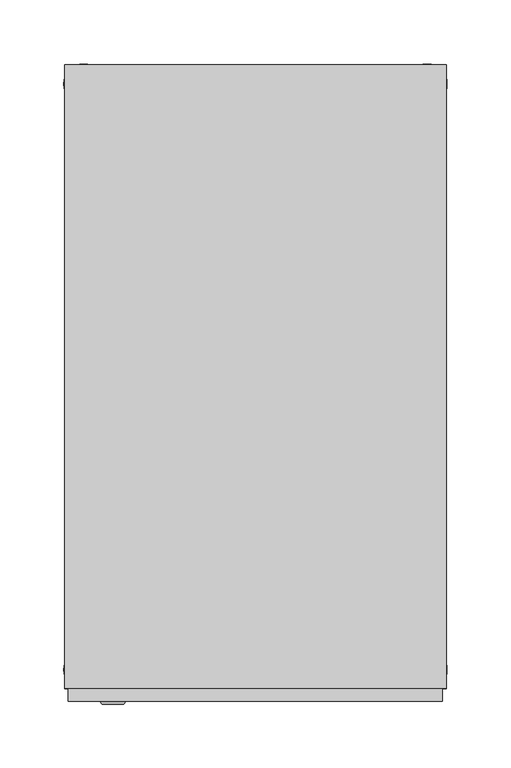
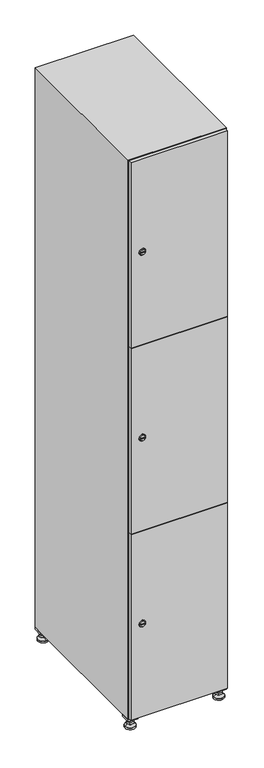
"""IFC4 building model written with IfcOpenShell, lengths in millimetres: furniture geometry."""

import ifcopenshell
import ifcopenshell.guid

model = None  # the IFC model being written
_history = None  # IfcOwnerHistory: only IFC2X3 demands one
_inside = {}  # id of a spatial element -> (the spatial element, [elements in it])
_under = {}  # id of a project, library or spatial element -> (it, [spatial elements below it])
_declared = {}  # id of a project -> (the project, [libraries it declares])
_typed = {}  # id of a type object -> (the type object, [elements of that type])
_made_of = {}  # id of a material, layer set ... -> (it, [elements and type objects made of it])


def new_model(schema):
    """Start an empty IFC model of exactly this schema.

    Asked for "IFC4X3", IfcOpenShell would pick the latest addendum, in which some entities
    have other attributes; the version numbers below select the first issue.
    IFC2X3 requires an IfcOwnerHistory on every rooted entity: one is made here for all.
    """
    global model, _history
    if schema == "IFC4X3":
        model = ifcopenshell.file(schema_version=(4, 3, 0, 0))
    else:
        model = ifcopenshell.file(schema=schema)
    _inside.clear()
    _under.clear()
    _declared.clear()
    _typed.clear()
    _made_of.clear()
    _history = None
    if model.schema == "IFC2X3":
        org = make("IfcOrganization", Name="unknown")
        user = make(
            "IfcPersonAndOrganization",
            ThePerson=make("IfcPerson", FamilyName="unknown"),
            TheOrganization=org,
        )
        app = make(
            "IfcApplication",
            ApplicationDeveloper=org,
            Version="unknown",
            ApplicationFullName="unknown",
            ApplicationIdentifier="unknown",
        )
        _history = make(
            "IfcOwnerHistory",
            OwningUser=user,
            OwningApplication=app,
            ChangeAction="ADDED",
            CreationDate=0,
        )
    return model


def make(cls, **values):
    """One entity of the class cls with the attributes given. An attribute that is None is left unset."""
    return model.create_entity(
        cls, **{name: value for name, value in values.items() if value is not None}
    )


def rooted(cls, **values):
    """An entity with a GlobalId (a new one), such as an element, a storey or a relation."""
    return make(cls, GlobalId=ifcopenshell.guid.new(), OwnerHistory=_history, **values)


def si_unit(unit_type, name, prefix=None):
    """IfcSIUnit, for example si_unit("LENGTHUNIT", "METRE", prefix="MILLI")."""
    return make("IfcSIUnit", UnitType=unit_type, Prefix=prefix, Name=name)


def assignment(units):
    """IfcUnitAssignment: the units of a project."""
    return None if units is None else make("IfcUnitAssignment", Units=units)


def point(xyz):
    """IfcCartesianPoint."""
    return None if xyz is None else make("IfcCartesianPoint", Coordinates=xyz)


def direction(xyz):
    """IfcDirection."""
    return None if xyz is None else make("IfcDirection", DirectionRatios=xyz)


def frame(location, z_axis=None, x_axis=None):
    """IfcAxis2Placement3D, a coordinate frame: its origin and axes. An axis left out is left unset."""
    return make(
        "IfcAxis2Placement3D",
        Location=point(location),
        Axis=direction(z_axis),
        RefDirection=direction(x_axis),
    )


def frame_2d(location, x_axis=None):
    """IfcAxis2Placement2D, a coordinate frame in the plane: its origin and x axis."""
    return make(
        "IfcAxis2Placement2D", Location=point(location), RefDirection=direction(x_axis)
    )


def origin():
    """The frame at (0, 0, 0) with its axes left unset."""
    return frame((0.0, 0.0, 0.0))


def origin_with_axes():
    """The frame at (0, 0, 0) with the z axis (0, 0, 1) and the x axis (1, 0, 0) written out."""
    return frame((0.0, 0.0, 0.0), z_axis=(0.0, 0.0, 1.0), x_axis=(1.0, 0.0, 0.0))


def place(relative_to, where):
    """IfcLocalPlacement: puts the frame where relative to a parent placement (None: the world)."""
    return make(
        "IfcLocalPlacement", PlacementRelTo=relative_to, RelativePlacement=where
    )


def context(
    kind, dimensions, precision=None, world=None, true_north=None, identifier=None
):
    """IfcGeometricRepresentationContext, for example the 3D "Model" context."""
    return make(
        "IfcGeometricRepresentationContext",
        ContextIdentifier=identifier,
        ContextType=kind,
        CoordinateSpaceDimension=dimensions,
        Precision=precision,
        WorldCoordinateSystem=world,
        TrueNorth=true_north,
    )


def project(units=None, contexts=None):
    """IfcProject with its units and contexts."""
    return rooted(
        "IfcProject",
        Name="project",
        RepresentationContexts=contexts,
        UnitsInContext=assignment(units),
    )


def spatial(cls, under=None, at=None, **own):
    """A site, building, storey or space (cls), placed at a placement, below another one or the project."""
    s = rooted(cls, ObjectPlacement=at, **own)
    if under is not None:
        _under.setdefault(under.id(), (under, []))[1].append(s)
    return s


def polyline(points):
    """IfcPolyline through the points."""
    return make("IfcPolyline", Points=[point(p) for p in points])


def circle_curve(where, radius):
    """IfcCircle in the frame where."""
    return make("IfcCircle", Position=where, Radius=radius)


def trimmed(basis, trim1, trim2, sense, master):
    """IfcTrimmedCurve: the piece of a basis curve between two trims."""
    return make(
        "IfcTrimmedCurve",
        BasisCurve=basis,
        Trim1=trim1,
        Trim2=trim2,
        SenseAgreement=sense,
        MasterRepresentation=master,
    )


def segment(curve, same_sense, transition):
    """IfcCompositeCurveSegment."""
    return make(
        "IfcCompositeCurveSegment",
        Transition=transition,
        SameSense=same_sense,
        ParentCurve=curve,
    )


def composite_curve(segments, self_intersect=None):
    """IfcCompositeCurve: segments joined end to end."""
    return make("IfcCompositeCurve", Segments=segments, SelfIntersect=self_intersect)


def outline(outer, holes=None, kind="AREA"):
    """IfcArbitraryClosedProfileDef: a profile drawn as a closed curve; with holes, ...WithVoids."""
    if holes is None:
        return make("IfcArbitraryClosedProfileDef", ProfileType=kind, OuterCurve=outer)
    return make(
        "IfcArbitraryProfileDefWithVoids",
        ProfileType=kind,
        OuterCurve=outer,
        InnerCurves=holes,
    )


def extrude(swept, where, along, depth):
    """IfcExtrudedAreaSolid: the profile swept, set in the frame where, extruded along a direction by depth."""
    return make(
        "IfcExtrudedAreaSolid",
        SweptArea=swept,
        Position=where,
        ExtrudedDirection=direction(along),
        Depth=depth,
    )


def faces_of(points, faces, orient=None, outer=None):
    """IfcFace entities. A face is a list of loops; a loop is a list of indices into points, from 0.

    orient and outer hold one flag for each loop. By default every Orientation is true, the
    first loop of a face is its IfcFaceOuterBound and the others are IfcFaceBound.
    """
    made = []
    for i, loops in enumerate(faces):
        bounds = []
        for j, loop in enumerate(loops):
            is_outer = j == 0 if outer is None else outer[i][j]
            bounds.append(
                make(
                    "IfcFaceOuterBound" if is_outer else "IfcFaceBound",
                    Bound=make("IfcPolyLoop", Polygon=[points[k] for k in loop]),
                    Orientation=True if orient is None else orient[i][j],
                )
            )
        made.append(make("IfcFace", Bounds=bounds))
    return made


def faceted_brep(points, faces, orient=None, outer=None, voids=None):
    """IfcFacetedBrep: a solid bounded by flat faces; with voids (closed shells), ...WithVoids."""
    shared = [point(p) for p in points]
    hull = make("IfcClosedShell", CfsFaces=faces_of(shared, faces, orient, outer))
    if voids is None:
        return make("IfcFacetedBrep", Outer=hull)
    return make(
        "IfcFacetedBrepWithVoids",
        Outer=hull,
        Voids=[
            make(cls, CfsFaces=faces_of(shared, fs, o, b)) for cls, fs, o, b in voids
        ],
    )


def shape(context_of_items, identifier, shape_type, items):
    """IfcShapeRepresentation: the items that make up one representation, for example the "Body"."""
    return make(
        "IfcShapeRepresentation",
        ContextOfItems=context_of_items,
        RepresentationIdentifier=identifier,
        RepresentationType=shape_type,
        Items=items,
    )


def source(mapping_origin, context_of_items, identifier, shape_type, items):
    """IfcRepresentationMap: a shape defined once, which mapped items show again and again."""
    return make(
        "IfcRepresentationMap",
        MappingOrigin=mapping_origin,
        MappedRepresentation=shape(context_of_items, identifier, shape_type, items),
    )


def transform(
    local_origin,
    x_axis=None,
    y_axis=None,
    z_axis=None,
    scale=None,
    scale2=None,
    scale3=None,
    uniform=True,
):
    """IfcCartesianTransformationOperator3D, or its non-uniform kind. x_axis, y_axis, z_axis: its Axis1, 2, 3."""
    if uniform:
        return make(
            "IfcCartesianTransformationOperator3D",
            Axis1=direction(x_axis),
            Axis2=direction(y_axis),
            LocalOrigin=point(local_origin),
            Scale=scale,
            Axis3=direction(z_axis),
        )
    return make(
        "IfcCartesianTransformationOperator3DnonUniform",
        Axis1=direction(x_axis),
        Axis2=direction(y_axis),
        LocalOrigin=point(local_origin),
        Scale=scale,
        Axis3=direction(z_axis),
        Scale2=scale2,
        Scale3=scale3,
    )


def mapped(mapping_source, mapping_target):
    """IfcMappedItem: shows the shape of a source again, moved by a transform."""
    return make(
        "IfcMappedItem", MappingSource=mapping_source, MappingTarget=mapping_target
    )


def made_of(thing, what):
    """Note that an element or type object is made of a material, layer set ...; save() writes the relation."""
    if what is not None:
        _made_of.setdefault(what.id(), (what, []))[1].append(thing)
    return thing


def element(
    cls,
    number,
    at=None,
    inside=None,
    cuts=None,
    type_object=None,
    material=None,
    context=None,
    identifier="Body",
    shape_type=None,
    held_by="IfcProductDefinitionShape",
    body=None,
    shapes=None,
    **own,
):
    """One element of the class cls, such as IfcWall. Its Tag is "e" and its number.

    at: its placement. inside: the storey or other place that contains it. cuts: it is an
    opening in that element (IfcRelVoidsElement). A single representation is given by context,
    identifier, shape_type and body (its items); several are given by shapes. held_by: the class
    of the entity that holds the representations. save() writes the other relations.
    """
    e = rooted(cls, Tag="e%d" % number, ObjectPlacement=at, **own)
    if body is not None:
        shapes = [shape(context, identifier, shape_type, body)]
    if shapes is not None:
        e.Representation = make(held_by, Representations=shapes)
    if inside is not None:
        _inside.setdefault(inside.id(), (inside, []))[1].append(e)
    if cuts is not None:
        rooted(
            "IfcRelVoidsElement", RelatingBuildingElement=cuts, RelatedOpeningElement=e
        )
    if type_object is not None:
        _typed.setdefault(type_object.id(), (type_object, []))[1].append(e)
    return made_of(e, material)


def aggregate(whole, parts):
    """IfcRelAggregates: a whole, such as a stair, and the parts it consists of."""
    return rooted("IfcRelAggregates", RelatingObject=whole, RelatedObjects=parts)


def save(model, path):
    """Write the relations noted so far, then the file.

    IfcRelAggregates (storeys below a building ...), IfcRelContainedInSpatialStructure (elements
    in a storey), IfcRelDefinesByType, IfcRelAssociatesMaterial and IfcRelDeclares: one each for
    every whole, place, type object, material and project.
    """
    for whole, parts in _under.values():
        aggregate(whole, parts)
    for where, things in _inside.values():
        rooted(
            "IfcRelContainedInSpatialStructure",
            RelatedElements=things,
            RelatingStructure=where,
        )
    for kind, things in _typed.values():
        rooted("IfcRelDefinesByType", RelatedObjects=things, RelatingType=kind)
    for what, things in _made_of.values():
        rooted("IfcRelAssociatesMaterial", RelatedObjects=things, RelatingMaterial=what)
    for by, libraries in _declared.values():
        rooted("IfcRelDeclares", RelatingContext=by, RelatedDefinitions=libraries)
    model.write(path)


def plane_surface(at):
    """IfcPlane: the flat surface through the origin of the frame at, square to its z axis."""
    return make("IfcPlane", Position=at)


def revolved_surface(curve, axis_point, axis_direction):
    """IfcSurfaceOfRevolution: the curve turned about the line through axis_point along axis_direction."""
    return make(
        "IfcSurfaceOfRevolution",
        SweptCurve=make("IfcArbitraryOpenProfileDef", ProfileType="CURVE", Curve=curve),
        AxisPosition=make("IfcAxis1Placement", Location=point(axis_point), Axis=direction(axis_direction)),
    )


def advanced_brep(points, edges, surfaces, faces):
    """IfcAdvancedBrep: a solid bounded by faces that lie on surfaces and meet in shared edges.

    An edge is (start, end): straight between two places in points (the first is 0);
    or (start, end, curve); or (start, end, curve, False) where it runs against its curve.
    A face is (place in surfaces, loops), or (place, loops, False) where it looks against
    its surface's normal. A loop lists edges by number (the first is 1), with a minus sign
    where the edge is run from its end to its start. The first loop is the outer one.
    """
    corners = [point(p) for p in points]
    vertices = [make("IfcVertexPoint", VertexGeometry=c) for c in corners]
    made = []
    for start, end, *more in edges:
        made.append(
            make(
                "IfcEdgeCurve",
                EdgeStart=vertices[start],
                EdgeEnd=vertices[end],
                EdgeGeometry=more[0] if more else make("IfcPolyline", Points=[corners[start], corners[end]]),
                SameSense=more[1] if len(more) > 1 else True,
            )
        )
    hull = []
    for where, loops, *sense in faces:
        bounds = []
        for j, loop in enumerate(loops):
            ring = [make("IfcOrientedEdge", EdgeElement=made[abs(k) - 1], Orientation=k > 0) for k in loop]
            bounds.append(
                make(
                    "IfcFaceOuterBound" if j == 0 else "IfcFaceBound",
                    Bound=make("IfcEdgeLoop", EdgeList=ring),
                    Orientation=True,
                )
            )
        hull.append(make("IfcAdvancedFace", Bounds=bounds, FaceSurface=surfaces[where], SameSense=sense[0] if sense else True))
    return make("IfcAdvancedBrep", Outer=make("IfcClosedShell", CfsFaces=hull))


def furniture_fe26765d(model_context):
    return source(origin(), model_context, "Body", "SolidModel", [
        extrude(outline(polyline([(100.0, 245.0), (100.0, 215.0), (70.0, 215.0), (70.0, 245.0), (100.0, 245.0)]), holes=[polyline([(98.0, 243.0), (72.0, 243.0), (72.0, 217.0), (98.0, 217.0), (98.0, 243.0)])]), frame((0.0, 0.0, 28.5), z_axis=(0.0, 0.0, 1.0), x_axis=(1.0, 0.0, 0.0)), (0.0, 0.0, 1.0), 6.5),
        extrude(outline(polyline([(70.0, -245.0), (70.0, -215.0), (100.0, -215.0), (100.0, -245.0), (70.0, -245.0)]), holes=[polyline([(72.0, -243.0), (98.0, -243.0), (98.0, -217.0), (72.0, -217.0), (72.0, -243.0)])]), frame((0.0, 0.0, 28.5), z_axis=(0.0, 0.0, 1.0), x_axis=(1.0, 0.0, 0.0)), (0.0, 0.0, 1.0), 6.5),
        extrude(outline(polyline([(-170.0, 245.0), (-170.0, 215.0), (-200.0, 215.0), (-200.0, 245.0), (-170.0, 245.0)]), holes=[polyline([(-172.0, 243.0), (-198.0, 243.0), (-198.0, 217.0), (-172.0, 217.0), (-172.0, 243.0)])]), frame((0.0, 0.0, 28.5), z_axis=(0.0, 0.0, 1.0), x_axis=(1.0, 0.0, 0.0)), (0.0, 0.0, 1.0), 6.5),
        extrude(outline(polyline([(-170.0, -215.0), (-170.0, -245.0), (-200.0, -245.0), (-200.0, -215.0), (-170.0, -215.0)]), holes=[polyline([(-198.0, -243.0), (-172.0, -243.0), (-172.0, -217.0), (-198.0, -217.0), (-198.0, -243.0)])]), frame((0.0, 0.0, 28.5), z_axis=(0.0, 0.0, 1.0), x_axis=(1.0, 0.0, 0.0)), (0.0, 0.0, 1.0), 6.5),
        extrude(outline(composite_curve([segment(trimmed(circle_curve(frame_2d((-185.0, 230.0)), 5.0), [point((-180.0, 230.0))], [point((-190.0, 230.0))], False, "CARTESIAN"), True, "CONTINUOUS"), segment(trimmed(circle_curve(frame_2d((-185.0, 230.0)), 5.0), [point((-190.0, 230.0))], [point((-180.0, 230.0))], False, "CARTESIAN"), True, "CONTINUOUS")], self_intersect=False)), frame((0.0, 0.0, 19.6), z_axis=(0.0, 0.0, 1.0), x_axis=(1.0, 0.0, 0.0)), (0.0, 0.0, 1.0), 15.4),
        extrude(outline(composite_curve([segment(trimmed(circle_curve(frame_2d((-185.0, -230.0)), 5.0), [point((-180.0, -230.0))], [point((-190.0, -230.0))], False, "CARTESIAN"), True, "CONTINUOUS"), segment(trimmed(circle_curve(frame_2d((-185.0, -230.0)), 5.0), [point((-190.0, -230.0))], [point((-180.0, -230.0))], False, "CARTESIAN"), True, "CONTINUOUS")], self_intersect=False)), frame((0.0, 0.0, 19.6), z_axis=(0.0, 0.0, 1.0), x_axis=(1.0, 0.0, 0.0)), (0.0, 0.0, 1.0), 15.4),
        extrude(outline(composite_curve([segment(trimmed(circle_curve(frame_2d((85.0, 230.0)), 5.0), [point((90.0, 230.0))], [point((80.0, 230.0))], False, "CARTESIAN"), True, "CONTINUOUS"), segment(trimmed(circle_curve(frame_2d((85.0, 230.0)), 5.0), [point((80.0, 230.0))], [point((90.0, 230.0))], False, "CARTESIAN"), True, "CONTINUOUS")], self_intersect=False)), frame((0.0, 0.0, 19.6), z_axis=(0.0, 0.0, 1.0), x_axis=(1.0, 0.0, 0.0)), (0.0, 0.0, 1.0), 15.4),
        extrude(outline(polyline([(73.4529946, 230.0), (79.2264973, 240.0), (90.7735027, 240.0), (96.5470054, 230.0), (90.7735027, 220.0), (79.2264973, 220.0), (73.4529946, 230.0)])), frame((0.0, 0.0, 13.6), z_axis=(0.0, 0.0, 1.0), x_axis=(1.0, 0.0, 0.0)), (0.0, 0.0, 1.0), 6.0),
        extrude(outline(composite_curve([segment(trimmed(circle_curve(frame_2d((85.0, -230.0)), 5.0), [point((90.0, -230.0))], [point((80.0, -230.0))], False, "CARTESIAN"), True, "CONTINUOUS"), segment(trimmed(circle_curve(frame_2d((85.0, -230.0)), 5.0), [point((80.0, -230.0))], [point((90.0, -230.0))], False, "CARTESIAN"), True, "CONTINUOUS")], self_intersect=False)), frame((0.0, 0.0, 19.6), z_axis=(0.0, 0.0, 1.0), x_axis=(1.0, 0.0, 0.0)), (0.0, 0.0, 1.0), 15.4),
        extrude(outline(polyline([(73.4529946, -230.0), (79.2264973, -220.0), (90.7735027, -220.0), (96.5470054, -230.0), (90.7735027, -240.0), (79.2264973, -240.0), (73.4529946, -230.0)])), frame((0.0, 0.0, 13.6), z_axis=(0.0, 0.0, 1.0), x_axis=(1.0, 0.0, 0.0)), (0.0, 0.0, 1.0), 6.0),
        extrude(outline(composite_curve([segment(trimmed(circle_curve(frame_2d((85.0, 230.0)), 5.0), [point((90.0, 230.0))], [point((80.0, 230.0))], False, "CARTESIAN"), True, "CONTINUOUS"), segment(trimmed(circle_curve(frame_2d((85.0, 230.0)), 5.0), [point((80.0, 230.0))], [point((90.0, 230.0))], False, "CARTESIAN"), True, "CONTINUOUS")], self_intersect=False)), frame((0.0, 0.0, 12.1), z_axis=(0.0, 0.0, 1.0), x_axis=(1.0, 0.0, 0.0)), (0.0, 0.0, 1.0), 1.5),
        extrude(outline(composite_curve([segment(trimmed(circle_curve(frame_2d((85.0, -230.0)), 5.0), [point((90.0, -230.0))], [point((80.0, -230.0))], False, "CARTESIAN"), True, "CONTINUOUS"), segment(trimmed(circle_curve(frame_2d((85.0, -230.0)), 5.0), [point((80.0, -230.0))], [point((90.0, -230.0))], False, "CARTESIAN"), True, "CONTINUOUS")], self_intersect=False)), frame((0.0, 0.0, 12.1), z_axis=(0.0, 0.0, 1.0), x_axis=(1.0, 0.0, 0.0)), (0.0, 0.0, 1.0), 1.5),
        extrude(outline(polyline([(-196.5470054, 230.0), (-190.7735027, 240.0), (-179.2264973, 240.0), (-173.4529946, 230.0), (-179.2264973, 220.0), (-190.7735027, 220.0), (-196.5470054, 230.0)])), frame((0.0, 0.0, 13.6), z_axis=(0.0, 0.0, 1.0), x_axis=(1.0, 0.0, 0.0)), (0.0, 0.0, 1.0), 6.0),
        extrude(outline(polyline([(-196.5470054, -230.0), (-190.7735027, -220.0), (-179.2264973, -220.0), (-173.4529946, -230.0), (-179.2264973, -240.0), (-190.7735027, -240.0), (-196.5470054, -230.0)])), frame((0.0, 0.0, 13.6), z_axis=(0.0, 0.0, 1.0), x_axis=(1.0, 0.0, 0.0)), (0.0, 0.0, 1.0), 6.0),
        extrude(outline(composite_curve([segment(trimmed(circle_curve(frame_2d((-185.0, 230.0)), 5.0), [point((-185.0, 235.0))], [point((-185.0, 225.0))], False, "CARTESIAN"), True, "CONTINUOUS"), segment(trimmed(circle_curve(frame_2d((-185.0, 230.0)), 5.0), [point((-185.0, 225.0))], [point((-185.0, 235.0))], False, "CARTESIAN"), True, "CONTINUOUS")], self_intersect=False)), frame((0.0, 0.0, 12.1), z_axis=(0.0, 0.0, 1.0), x_axis=(1.0, 0.0, 0.0)), (0.0, 0.0, 1.0), 1.5),
        extrude(outline(composite_curve([segment(trimmed(circle_curve(frame_2d((-185.0, -230.0)), 5.0), [point((-180.0, -230.0))], [point((-190.0, -230.0))], False, "CARTESIAN"), True, "CONTINUOUS"), segment(trimmed(circle_curve(frame_2d((-185.0, -230.0)), 5.0), [point((-190.0, -230.0))], [point((-180.0, -230.0))], False, "CARTESIAN"), True, "CONTINUOUS")], self_intersect=False)), frame((0.0, 0.0, 12.1), z_axis=(0.0, 0.0, 1.0), x_axis=(1.0, 0.0, 0.0)), (0.0, 0.0, 1.0), 1.5),
        extrude(outline(composite_curve([segment(trimmed(circle_curve(frame_2d((85.0, 230.0)), 15.75), [point((100.75, 230.0))], [point((69.25, 230.0))], False, "CARTESIAN"), True, "CONTINUOUS"), segment(trimmed(circle_curve(frame_2d((85.0, 230.0)), 15.75), [point((69.25, 230.0))], [point((100.75, 230.0))], False, "CARTESIAN"), True, "CONTINUOUS")], self_intersect=False)), origin_with_axes(), (0.0, 0.0, 1.0), 5.1),
        extrude(outline(composite_curve([segment(trimmed(circle_curve(frame_2d((85.0, -230.0)), 15.75), [point((85.0, -214.25))], [point((85.0, -245.75))], False, "CARTESIAN"), True, "CONTINUOUS"), segment(trimmed(circle_curve(frame_2d((85.0, -230.0)), 15.75), [point((85.0, -245.75))], [point((85.0, -214.25))], False, "CARTESIAN"), True, "CONTINUOUS")], self_intersect=False)), origin_with_axes(), (0.0, 0.0, 1.0), 5.1),
        extrude(outline(composite_curve([segment(trimmed(circle_curve(frame_2d((-185.0, -230.0)), 15.75), [point((-169.25, -230.0))], [point((-200.75, -230.0))], False, "CARTESIAN"), True, "CONTINUOUS"), segment(trimmed(circle_curve(frame_2d((-185.0, -230.0)), 15.75), [point((-200.75, -230.0))], [point((-169.25, -230.0))], False, "CARTESIAN"), True, "CONTINUOUS")], self_intersect=False)), origin_with_axes(), (0.0, 0.0, 1.0), 5.1),
        extrude(outline(composite_curve([segment(trimmed(circle_curve(frame_2d((-185.0, 230.0)), 15.75), [point((-169.25, 230.0))], [point((-200.75, 230.0))], False, "CARTESIAN"), True, "CONTINUOUS"), segment(trimmed(circle_curve(frame_2d((-185.0, 230.0)), 15.75), [point((-200.75, 230.0))], [point((-169.25, 230.0))], False, "CARTESIAN"), True, "CONTINUOUS")], self_intersect=False)), origin_with_axes(), (0.0, 0.0, 1.0), 5.1),
        advanced_brep(
        [(-185.0, 239.5, 12.1), (-185.0, 220.5, 12.1), (-185.0, 214.25, 5.1), (-185.0, 245.75, 5.1)],
        [
            (0, 1, circle_curve(frame((-185.0, 230.0, 12.1), z_axis=(0.0, 0.0, -1.0), x_axis=(0.0, 1.0, 0.0)), 9.5)),
            (1, 2),
            (2, 3, circle_curve(frame((-185.0, 230.0, 5.1), z_axis=(0.0, 0.0, 1.0), x_axis=(0.0, 1.0, 0.0)), 15.75)),
            (3, 0),
            (1, 0, circle_curve(frame((-185.0, 230.0, 12.1), z_axis=(0.0, 0.0, -1.0), x_axis=(0.0, -1.0, 0.0)), 9.5)),
            (3, 2, circle_curve(frame((-185.0, 230.0, 5.1), z_axis=(0.0, 0.0, 1.0), x_axis=(0.0, -1.0, 0.0)), 15.75)),
        ],
        [
            revolved_surface(polyline([(-185.0, 220.5, 12.099999999999998), (-185.0, 214.25, 5.099999999999998)]), (-185.0, 230.0, 22.74), (0.0, 0.0, -1.0)),
            revolved_surface(polyline([(-185.0, 239.5, 12.099999999999998), (-185.0, 245.75, 5.099999999999998)]), (-185.0, 230.0, 22.74), (0.0, 0.0, -1.0)),
            plane_surface(frame((-185.0, 230.0, 5.1), z_axis=(0.0, 0.0, -1.0), x_axis=(1.0, 0.0, 0.0))),
            plane_surface(frame((-185.0, 230.0, 12.1), z_axis=(0.0, 0.0, 1.0), x_axis=(1.0, 0.0, 0.0))),
        ],
        [
            (0, [[1, 2, 3, 4]]),
            (1, [[5, -4, 6, -2]]),
            (2, [[-3, -6]]),
            (3, [[-5, -1]]),
        ],
    ),
        advanced_brep(
        [(85.0, 239.5, 12.1), (85.0, 220.5, 12.1), (85.0, 214.25, 5.1), (85.0, 245.75, 5.1)],
        [
            (0, 1, circle_curve(frame((85.0, 230.0, 12.1), z_axis=(0.0, 0.0, -1.0), x_axis=(0.0, 1.0, 0.0)), 9.5)),
            (1, 2),
            (2, 3, circle_curve(frame((85.0, 230.0, 5.1), z_axis=(0.0, 0.0, 1.0), x_axis=(0.0, 1.0, 0.0)), 15.75)),
            (3, 0),
            (1, 0, circle_curve(frame((85.0, 230.0, 12.1), z_axis=(0.0, 0.0, -1.0), x_axis=(0.0, -1.0, 0.0)), 9.5)),
            (3, 2, circle_curve(frame((85.0, 230.0, 5.1), z_axis=(0.0, 0.0, 1.0), x_axis=(0.0, -1.0, 0.0)), 15.75)),
        ],
        [
            revolved_surface(polyline([(85.0, 220.5, 12.099999999999998), (85.0, 214.25, 5.099999999999998)]), (85.0, 230.0, 22.74), (0.0, 0.0, -1.0)),
            revolved_surface(polyline([(85.0, 239.5, 12.099999999999998), (85.0, 245.75, 5.099999999999998)]), (85.0, 230.0, 22.74), (0.0, 0.0, -1.0)),
            plane_surface(frame((85.0, 230.0, 5.1), z_axis=(0.0, 0.0, -1.0), x_axis=(1.0, 0.0, 0.0))),
            plane_surface(frame((85.0, 230.0, 12.1), z_axis=(0.0, 0.0, 1.0), x_axis=(1.0, 0.0, 0.0))),
        ],
        [
            (0, [[1, 2, 3, 4]]),
            (1, [[5, -4, 6, -2]]),
            (2, [[-3, -6]]),
            (3, [[-5, -1]]),
        ],
    ),
        advanced_brep(
        [(100.75, -230.0, 5.1), (69.25, -230.0, 5.1), (75.5, -230.0, 12.1), (94.5, -230.0, 12.1)],
        [
            (0, 1, circle_curve(frame((85.0, -230.0, 5.1), z_axis=(0.0, 0.0, 1.0), x_axis=(1.0, 0.0, 0.0)), 15.75)),
            (1, 2),
            (2, 3, circle_curve(frame((85.0, -230.0, 12.1), z_axis=(0.0, 0.0, -1.0), x_axis=(1.0, 0.0, 0.0)), 9.5)),
            (3, 0),
            (1, 0, circle_curve(frame((85.0, -230.0, 5.1), z_axis=(0.0, 0.0, 1.0), x_axis=(-1.0, 0.0, 0.0)), 15.75)),
            (3, 2, circle_curve(frame((85.0, -230.0, 12.1), z_axis=(0.0, 0.0, -1.0), x_axis=(-1.0, 0.0, 0.0)), 9.5)),
        ],
        [
            revolved_surface(polyline([(94.5, -230.0, 12.099999999999998), (100.75, -230.0, 5.099999999999998)]), (85.0, -230.0, 22.74), (0.0, 0.0, -1.0)),
            revolved_surface(polyline([(75.5, -230.0, 12.099999999999998), (69.25, -230.0, 5.099999999999998)]), (85.0, -230.0, 22.74), (0.0, 0.0, -1.0)),
            plane_surface(frame((85.0, -230.0, 12.1), z_axis=(0.0, 0.0, 1.0), x_axis=(0.0, 1.0, 0.0))),
            plane_surface(frame((85.0, -230.0, 5.1), z_axis=(0.0, 0.0, -1.0), x_axis=(0.0, 1.0, 0.0))),
        ],
        [
            (0, [[1, 2, 3, 4]]),
            (1, [[5, -4, 6, -2]]),
            (2, [[-3, -6]]),
            (3, [[-5, -1]]),
        ],
    ),
        advanced_brep(
        [(-169.25, -230.0, 5.1), (-200.75, -230.0, 5.1), (-194.5, -230.0, 12.1), (-175.5, -230.0, 12.1)],
        [
            (0, 1, circle_curve(frame((-185.0, -230.0, 5.1), z_axis=(0.0, 0.0, 1.0), x_axis=(1.0, 0.0, 0.0)), 15.75)),
            (1, 2),
            (2, 3, circle_curve(frame((-185.0, -230.0, 12.1), z_axis=(0.0, 0.0, -1.0), x_axis=(1.0, 0.0, 0.0)), 9.5)),
            (3, 0),
            (1, 0, circle_curve(frame((-185.0, -230.0, 5.1), z_axis=(0.0, 0.0, 1.0), x_axis=(-1.0, 0.0, 0.0)), 15.75)),
            (3, 2, circle_curve(frame((-185.0, -230.0, 12.1), z_axis=(0.0, 0.0, -1.0), x_axis=(-1.0, 0.0, 0.0)), 9.5)),
        ],
        [
            revolved_surface(polyline([(-175.5, -230.0, 12.099999999999998), (-169.25, -230.0, 5.099999999999998)]), (-185.0, -230.0, 22.74), (0.0, 0.0, -1.0)),
            revolved_surface(polyline([(-194.5, -230.0, 12.099999999999998), (-200.75, -230.0, 5.099999999999998)]), (-185.0, -230.0, 22.74), (0.0, 0.0, -1.0)),
            plane_surface(frame((-185.0, -230.0, 12.1), z_axis=(0.0, 0.0, 1.0), x_axis=(0.0, 1.0, 0.0))),
            plane_surface(frame((-185.0, -230.0, 5.1), z_axis=(0.0, 0.0, -1.0), x_axis=(0.0, 1.0, 0.0))),
        ],
        [
            (0, [[1, 2, 3, 4]]),
            (1, [[5, -4, 6, -2]]),
            (2, [[-3, -6]]),
            (3, [[-5, -1]]),
        ],
    ),
        extrude(outline(composite_curve([segment(trimmed(circle_curve(frame_2d((337.0, -188.7989466)), 7.0), [point((344.0, -188.7989466))], [point((330.0, -188.7989466))], False, "CARTESIAN"), True, "CONTINUOUS"), segment(polyline([(330.0, -188.7989466), (330.0, -160.7989466)]), True, "CONTINUOUS"), segment(trimmed(circle_curve(frame_2d((337.0, -160.7989466)), 7.0), [point((330.0, -160.7989466))], [point((344.0, -160.7989466))], False, "CARTESIAN"), True, "CONTINUOUS"), segment(polyline([(344.0, -160.7989466), (344.0, -188.7989466)]), True, "CONTINUOUS")], self_intersect=False)), frame((0.0, -245.0, 0.0), z_axis=(0.0, 1.0, 0.0), x_axis=(0.0, 0.0, 1.0)), (0.0, 0.0, 1.0), 2.0),
        advanced_brep(
        [(-153.5, -257.2, 337.0), (-170.5, -257.2, 337.0), (-167.0, -257.2, 335.75), (-167.0, -257.2, 338.25), (-157.0, -257.2, 338.25), (-157.0, -257.2, 335.75), (-151.5, -255.0, 337.0), (-172.5, -255.0, 337.0), (-167.0, -255.0, 338.25), (-167.0, -255.0, 335.75), (-157.0, -255.0, 335.75), (-157.0, -255.0, 338.25)],
        [
            (0, 1, circle_curve(frame((-162.0, -257.2, 337.0), z_axis=(0.0, -1.0, 0.0), x_axis=(1.0, 0.0, 0.0)), 8.5)),
            (1, 0, circle_curve(frame((-162.0, -257.2, 337.0), z_axis=(0.0, -1.0, 0.0), x_axis=(-1.0, 0.0, 0.0)), 8.5)),
            (2, 3),
            (3, 4),
            (4, 5),
            (5, 2),
            (6, 7, circle_curve(frame((-162.0, -255.0, 337.0), z_axis=(0.0, 1.0, 0.0), x_axis=(-1.0, 0.0, 0.0)), 10.5)),
            (7, 6, circle_curve(frame((-162.0, -255.0, 337.0), z_axis=(0.0, 1.0, 0.0), x_axis=(1.0, 0.0, 0.0)), 10.5)),
            (8, 9),
            (9, 10),
            (10, 11),
            (11, 8),
            (0, 6),
            (7, 1),
            (8, 3),
            (2, 9),
            (11, 4),
            (10, 5),
        ],
        [
            plane_surface(frame((-162.0, -257.2, 337.0), z_axis=(0.0, -1.0, 0.0), x_axis=(0.0, 0.0, 1.0))),
            plane_surface(frame((-162.0, -255.0, 337.0), z_axis=(0.0, 1.0, 0.0), x_axis=(0.0, 0.0, 1.0))),
            revolved_surface(polyline([(-153.5, -257.2, 337.0), (-151.5, -255.0, 337.0)]), (-162.0, -266.55, 337.0), (0.0, 1.0, 0.0)),
            revolved_surface(polyline([(-170.5, -257.2, 337.0), (-172.5, -255.0, 337.0)]), (-162.0, -266.55, 337.0), (0.0, 1.0, 0.0)),
            plane_surface(frame((-167.0, -255.0, 335.75), z_axis=(1.0, 0.0, 0.0), x_axis=(0.0, -1.0, 0.0))),
            plane_surface(frame((-167.0, -255.0, 338.25), z_axis=(0.0, 0.0, -1.0), x_axis=(0.0, -1.0, 0.0))),
            plane_surface(frame((-157.0, -255.0, 338.25), z_axis=(-1.0, 0.0, 0.0), x_axis=(0.0, -1.0, 0.0))),
            plane_surface(frame((-157.0, -255.0, 335.75), z_axis=(0.0, 0.0, 1.0), x_axis=(0.0, -1.0, 0.0))),
        ],
        [
            (0, [[1, 2], [3, 4, 5, 6]]),
            (1, [[7, 8], [9, 10, 11, 12]]),
            (2, [[-1, 13, -8, 14]]),
            (3, [[-2, -14, -7, -13]]),
            (4, [[15, -3, 16, -9]]),
            (5, [[-15, -12, 17, -4]]),
            (6, [[-17, -11, 18, -5]]),
            (7, [[-16, -6, -18, -10]]),
        ],
    ),
        extrude(outline(composite_curve([segment(trimmed(circle_curve(frame_2d((935.0, -188.7989466)), 7.0), [point((942.0, -188.7989466))], [point((928.0, -188.7989466))], False, "CARTESIAN"), True, "CONTINUOUS"), segment(polyline([(928.0, -188.7989466), (928.0, -160.7989466)]), True, "CONTINUOUS"), segment(trimmed(circle_curve(frame_2d((935.0, -160.7989466)), 7.0), [point((928.0, -160.7989466))], [point((942.0, -160.7989466))], False, "CARTESIAN"), True, "CONTINUOUS"), segment(polyline([(942.0, -160.7989466), (942.0, -188.7989466)]), True, "CONTINUOUS")], self_intersect=False)), frame((0.0, -245.0, 0.0), z_axis=(0.0, 1.0, 0.0), x_axis=(0.0, 0.0, 1.0)), (0.0, 0.0, 1.0), 2.0),
        advanced_brep(
        [(-153.5, -257.2, 935.0), (-170.5, -257.2, 935.0), (-167.0, -257.2, 933.75), (-167.0, -257.2, 936.25), (-157.0, -257.2, 936.25), (-157.0, -257.2, 933.75), (-151.5, -255.0, 935.0), (-172.5, -255.0, 935.0), (-167.0, -255.0, 936.25), (-167.0, -255.0, 933.75), (-157.0, -255.0, 933.75), (-157.0, -255.0, 936.25)],
        [
            (0, 1, circle_curve(frame((-162.0, -257.2, 935.0), z_axis=(0.0, -1.0, 0.0), x_axis=(1.0, 0.0, 0.0)), 8.5)),
            (1, 0, circle_curve(frame((-162.0, -257.2, 935.0), z_axis=(0.0, -1.0, 0.0), x_axis=(-1.0, 0.0, 0.0)), 8.5)),
            (2, 3),
            (3, 4),
            (4, 5),
            (5, 2),
            (6, 7, circle_curve(frame((-162.0, -255.0, 935.0), z_axis=(0.0, 1.0, 0.0), x_axis=(-1.0, 0.0, 0.0)), 10.5)),
            (7, 6, circle_curve(frame((-162.0, -255.0, 935.0), z_axis=(0.0, 1.0, 0.0), x_axis=(1.0, 0.0, 0.0)), 10.5)),
            (8, 9),
            (9, 10),
            (10, 11),
            (11, 8),
            (0, 6),
            (7, 1),
            (8, 3),
            (2, 9),
            (11, 4),
            (10, 5),
        ],
        [
            plane_surface(frame((-162.0, -257.2, 935.0), z_axis=(0.0, -1.0, 0.0), x_axis=(0.0, 0.0, 1.0))),
            plane_surface(frame((-162.0, -255.0, 935.0), z_axis=(0.0, 1.0, 0.0), x_axis=(0.0, 0.0, 1.0))),
            revolved_surface(polyline([(-153.5, -257.2, 935.0), (-151.5, -255.0, 935.0)]), (-162.0, -266.55, 935.0), (0.0, 1.0, 0.0)),
            revolved_surface(polyline([(-170.5, -257.2, 935.0), (-172.5, -255.0, 935.0)]), (-162.0, -266.55, 935.0), (0.0, 1.0, 0.0)),
            plane_surface(frame((-167.0, -255.0, 933.75), z_axis=(1.0, 0.0, 0.0), x_axis=(0.0, -1.0, 0.0))),
            plane_surface(frame((-167.0, -255.0, 936.25), z_axis=(0.0, 0.0, -1.0), x_axis=(0.0, -1.0, 0.0))),
            plane_surface(frame((-157.0, -255.0, 936.25), z_axis=(-1.0, 0.0, 0.0), x_axis=(0.0, -1.0, 0.0))),
            plane_surface(frame((-157.0, -255.0, 933.75), z_axis=(0.0, 0.0, 1.0), x_axis=(0.0, -1.0, 0.0))),
        ],
        [
            (0, [[1, 2], [3, 4, 5, 6]]),
            (1, [[7, 8], [9, 10, 11, 12]]),
            (2, [[-1, 13, -8, 14]]),
            (3, [[-2, -14, -7, -13]]),
            (4, [[15, -3, 16, -9]]),
            (5, [[-15, -12, 17, -4]]),
            (6, [[-17, -11, 18, -5]]),
            (7, [[-16, -6, -18, -10]]),
        ],
    ),
        extrude(outline(composite_curve([segment(trimmed(circle_curve(frame_2d((1533.0, -188.7989466)), 7.0), [point((1540.0, -188.7989466))], [point((1526.0, -188.7989466))], False, "CARTESIAN"), True, "CONTINUOUS"), segment(polyline([(1526.0, -188.7989466), (1526.0, -160.7989466)]), True, "CONTINUOUS"), segment(trimmed(circle_curve(frame_2d((1533.0, -160.7989466)), 7.0), [point((1526.0, -160.7989466))], [point((1540.0, -160.7989466))], False, "CARTESIAN"), True, "CONTINUOUS"), segment(polyline([(1540.0, -160.7989466), (1540.0, -188.7989466)]), True, "CONTINUOUS")], self_intersect=False)), frame((0.0, -245.0, 0.0), z_axis=(0.0, 1.0, 0.0), x_axis=(0.0, 0.0, 1.0)), (0.0, 0.0, 1.0), 2.0),
        advanced_brep(
        [(-153.5, -257.2, 1533.0), (-170.5, -257.2, 1533.0), (-167.0, -257.2, 1531.75), (-167.0, -257.2, 1534.25), (-157.0, -257.2, 1534.25), (-157.0, -257.2, 1531.75), (-151.5, -255.0, 1533.0), (-172.5, -255.0, 1533.0), (-167.0, -255.0, 1534.25), (-167.0, -255.0, 1531.75), (-157.0, -255.0, 1531.75), (-157.0, -255.0, 1534.25)],
        [
            (0, 1, circle_curve(frame((-162.0, -257.2, 1533.0), z_axis=(0.0, -1.0, 0.0), x_axis=(1.0, 0.0, 0.0)), 8.5)),
            (1, 0, circle_curve(frame((-162.0, -257.2, 1533.0), z_axis=(0.0, -1.0, 0.0), x_axis=(-1.0, 0.0, 0.0)), 8.5)),
            (2, 3),
            (3, 4),
            (4, 5),
            (5, 2),
            (6, 7, circle_curve(frame((-162.0, -255.0, 1533.0), z_axis=(0.0, 1.0, 0.0), x_axis=(-1.0, 0.0, 0.0)), 10.5)),
            (7, 6, circle_curve(frame((-162.0, -255.0, 1533.0), z_axis=(0.0, 1.0, 0.0), x_axis=(1.0, 0.0, 0.0)), 10.5)),
            (8, 9),
            (9, 10),
            (10, 11),
            (11, 8),
            (0, 6),
            (7, 1),
            (8, 3),
            (2, 9),
            (11, 4),
            (10, 5),
        ],
        [
            plane_surface(frame((-162.0, -257.2, 1533.0), z_axis=(0.0, -1.0, 0.0), x_axis=(0.0, 0.0, 1.0))),
            plane_surface(frame((-162.0, -255.0, 1533.0), z_axis=(0.0, 1.0, 0.0), x_axis=(0.0, 0.0, 1.0))),
            revolved_surface(polyline([(-153.5, -257.2, 1533.0), (-151.5, -255.0, 1533.0)]), (-162.0, -266.55, 1533.0), (0.0, 1.0, 0.0)),
            revolved_surface(polyline([(-170.5, -257.2, 1533.0), (-172.5, -255.0, 1533.0)]), (-162.0, -266.55, 1533.0), (0.0, 1.0, 0.0)),
            plane_surface(frame((-167.0, -255.0, 1531.75), z_axis=(1.0, 0.0, 0.0), x_axis=(0.0, -1.0, 0.0))),
            plane_surface(frame((-167.0, -255.0, 1534.25), z_axis=(0.0, 0.0, -1.0), x_axis=(0.0, -1.0, 0.0))),
            plane_surface(frame((-157.0, -255.0, 1534.25), z_axis=(-1.0, 0.0, 0.0), x_axis=(0.0, -1.0, 0.0))),
            plane_surface(frame((-157.0, -255.0, 1531.75), z_axis=(0.0, 0.0, 1.0), x_axis=(0.0, -1.0, 0.0))),
        ],
        [
            (0, [[1, 2], [3, 4, 5, 6]]),
            (1, [[7, 8], [9, 10, 11, 12]]),
            (2, [[-1, 13, -8, 14]]),
            (3, [[-2, -14, -7, -13]]),
            (4, [[15, -3, 16, -9]]),
            (5, [[-15, -12, 17, -4]]),
            (6, [[-17, -11, 18, -5]]),
            (7, [[-16, -6, -18, -10]]),
        ],
    ),
        extrude(outline(polyline([(97.0, -245.0), (97.0, -255.0), (-197.0, -255.0), (-197.0, -245.0), (97.0, -245.0)])), frame((0.0, 0.0, 636.5), z_axis=(0.0, 0.0, 1.0), x_axis=(1.0, 0.0, 0.0)), (0.0, 0.0, 1.0), 597.0),
        extrude(outline(polyline([(-197.0, -255.0), (-197.0, -245.0), (97.0, -245.0), (97.0, -255.0), (-197.0, -255.0)])), frame((0.0, 0.0, 1234.5), z_axis=(0.0, 0.0, 1.0), x_axis=(1.0, 0.0, 0.0)), (0.0, 0.0, 1.0), 597.5),
        extrude(outline(polyline([(97.0, -245.0), (97.0, -255.0), (-197.0, -255.0), (-197.0, -245.0), (97.0, -245.0)])), frame((0.0, 0.0, 38.0), z_axis=(0.0, 0.0, 1.0), x_axis=(1.0, 0.0, 0.0)), (0.0, 0.0, 1.0), 597.5),
        extrude(outline(polyline([(79.6, 242.0), (79.6, -235.0), (-179.6, -235.0), (-179.6, 242.0), (79.6, 242.0)])), frame((0.0, 0.0, 1214.7333333), z_axis=(0.0, 0.0, 1.0), x_axis=(1.0, 0.0, 0.0)), (0.0, 0.0, 1.0), 20.4),
        extrude(outline(polyline([(-179.6, 242.0), (79.6, 242.0), (79.6, -235.0), (-179.6, -235.0), (-179.6, 242.0)])), frame((0.0, 0.0, 634.8666667), z_axis=(0.0, 0.0, 1.0), x_axis=(1.0, 0.0, 0.0)), (0.0, 0.0, 1.0), 20.4),
        faceted_brep([(100.0, -245.0, 35.0), (100.0, -245.0, 1835.0), (-200.0, -245.0, 1835.0), (-200.0, -245.0, 35.0), (79.6, -245.0, 1804.8), (79.6, -245.0, 65.2), (-179.6, -245.0, 65.2), (-179.6, -245.0, 1804.8), (100.0, 245.0, 35.0), (-200.0, 245.0, 35.0), (100.0, 245.0, 1835.0), (-200.0, 245.0, 1835.0), (79.6, 242.0, 1804.8), (79.6, 242.0, 65.2), (-200.0, 245.0, 1804.8), (-179.6, 242.0, 1804.8), (-179.6, 242.0, 65.2)], [[[0, 1, 2, 3], [4, 5, 6, 7]], [[8, 0, 3, 9]], [[1, 0, 8, 10]], [[1, 10, 11, 2]], [[4, 12, 13, 5]], [[9, 3, 2, 11, 14]], [[10, 8, 9, 14, 11]], [[12, 15, 16, 13]], [[15, 7, 6, 16]], [[4, 7, 15, 12]], [[6, 5, 13, 16]]]),
    ])


if __name__ == "__main__":
    model = new_model("IFC4")
    model_context = context("Model", 3, world=origin())
    ifc_project = project(units=[si_unit("LENGTHUNIT", "METRE", prefix="MILLI")], contexts=[model_context])
    site = spatial("IfcSite", under=ifc_project)
    building = spatial("IfcBuilding", under=site)
    placement = place(None, origin())
    furniture_shape = furniture_fe26765d(model_context)
    element("IfcFurniture", 1, at=placement, inside=building, context=model_context, shape_type="MappedRepresentation", body=[
        mapped(furniture_shape, transform((0.0, 0.0, 0.0), x_axis=(1.0, 0.0, 0.0), y_axis=(0.0, 1.0, 0.0), z_axis=(0.0, 0.0, 1.0))),
    ])
    save(model, "model.ifc")
